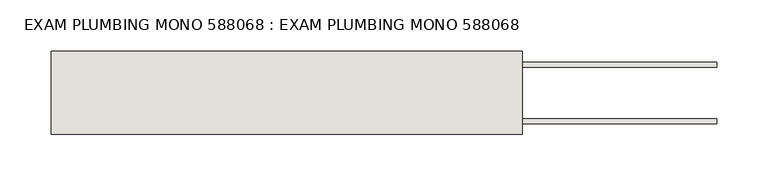
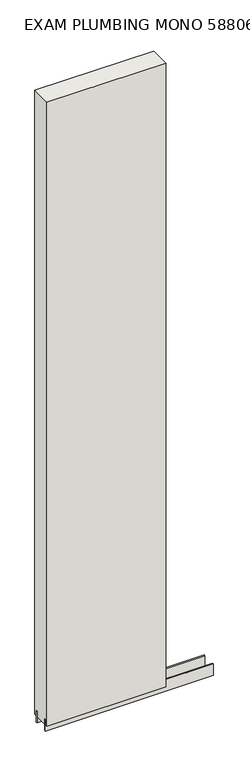
"""IFC4 building model written with IfcOpenShell, lengths in millimetres: wall geometry, EXAM PLUMBING MONO 588068 : EXAM PLUMBING MONO 588068."""

from ifc_helpers import new_model, si_unit, frame, origin, place, context, project, spatial, polyline, outline, extrude, source, transform, mapped, element, save


def exam_plumbing_mono_588068_exam_plumbing_mono_588068_49ade68d(model_context):
    return source(origin(), model_context, "Body", "SweptSolid", [
        extrude(outline(polyline([(46986.1751156, -43072.1814704), (46988.7151156, -43072.1814704), (46988.7151156, -43074.7214704), (46986.1751156, -43074.7214704), (46986.1751156, -43072.1814704)])), frame((0.0, 0.0, 4419.6), z_axis=(0.0, 0.0, 1.0), x_axis=(1.0, 0.0, 0.0)), (0.0, 0.0, 1.0), 2.54),
        extrude(outline(polyline([(46527.820457, -43098.5414126), (47179.203965, -43098.5414126), (47179.203965, -43103.6232668), (46527.820457, -43103.6232668), (46527.820457, -43098.5414126)])), frame((0.0, 0.0, 4418.6602), z_axis=(0.0, 0.0, 1.0), x_axis=(1.0, 0.0, 0.0)), (0.0, 0.0, 1.0), 47.625),
        extrude(outline(polyline([(46527.820457, -43098.5414126), (47179.203965, -43098.5414126), (47179.203965, -43103.6232668), (46527.820457, -43103.6232668), (46527.820457, -43098.5414126)])), frame((0.0, 0.0, 4418.6602), z_axis=(0.0, 0.0, 1.0), x_axis=(1.0, 0.0, 0.0)), (0.0, 0.0, 1.0), 47.625),
        extrude(outline(polyline([(47179.203965, -43048.3770222), (46527.820457, -43048.3770222), (46527.820457, -43043.2982668), (47179.203965, -43043.2982668), (47179.203965, -43048.3770222)])), frame((0.0, 0.0, 4418.6602), z_axis=(0.0, 0.0, 1.0), x_axis=(1.0, 0.0, 0.0)), (0.0, 0.0, 1.0), 47.625),
        extrude(outline(polyline([(47179.203965, -43048.3770222), (46527.820457, -43048.3770222), (46527.820457, -43043.2982668), (47179.203965, -43043.2982668), (47179.203965, -43048.3770222)])), frame((0.0, 0.0, 4418.6602), z_axis=(0.0, 0.0, 1.0), x_axis=(1.0, 0.0, 0.0)), (0.0, 0.0, 1.0), 47.625),
        extrude(outline(polyline([(46527.820457, -43114.0877366), (46527.820457, -43032.8058824), (46988.703965, -43032.8058824), (46988.703965, -43114.0877366), (46527.820457, -43114.0877366)])), frame((0.0, 0.0, 4445.0), z_axis=(0.0, 0.0, 1.0), x_axis=(1.0, 0.0, 0.0)), (0.0, 0.0, 1.0), 2562.4536762),
    ])


if __name__ == "__main__":
    model = new_model("IFC4")
    model_context = context("Model", 3, world=origin())
    ifc_project = project(units=[si_unit("LENGTHUNIT", "METRE", prefix="MILLI")], contexts=[model_context])
    site = spatial("IfcSite", under=ifc_project)
    building = spatial("IfcBuilding", under=site)
    placement = place(None, origin())
    exam_plumbing_mono_588068_exam_plumbing_mono_588068_shape = exam_plumbing_mono_588068_exam_plumbing_mono_588068_49ade68d(model_context)
    element("IfcWall", 1, ObjectType="EXAM PLUMBING MONO 588068 : EXAM PLUMBING MONO 588068", at=placement, inside=building, context=model_context, shape_type="MappedRepresentation", body=[
        mapped(exam_plumbing_mono_588068_exam_plumbing_mono_588068_shape, transform((0.0, 0.0, 0.0), x_axis=(1.0, 0.0, 0.0), y_axis=(0.0, 1.0, 0.0), z_axis=(0.0, 0.0, 1.0))),
    ])
    save(model, "model.ifc")
